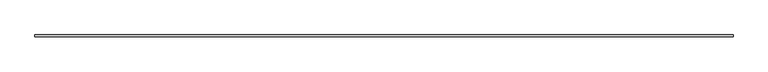
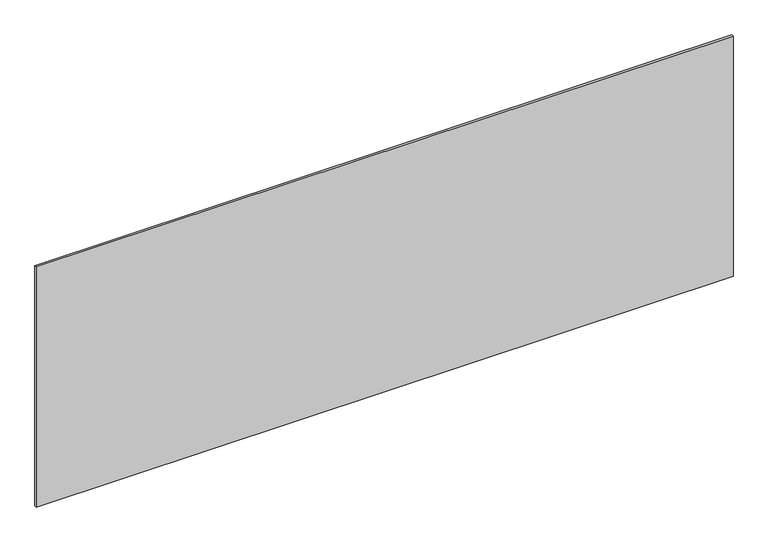
"""IFC4 building model written with IfcOpenShell, lengths in millimetres: plate geometry."""

import ifcopenshell
import ifcopenshell.guid

model = None  # the IFC model being written
_history = None  # IfcOwnerHistory: only IFC2X3 demands one
_inside = {}  # id of a spatial element -> (the spatial element, [elements in it])
_under = {}  # id of a project, library or spatial element -> (it, [spatial elements below it])
_declared = {}  # id of a project -> (the project, [libraries it declares])
_typed = {}  # id of a type object -> (the type object, [elements of that type])
_made_of = {}  # id of a material, layer set ... -> (it, [elements and type objects made of it])


def new_model(schema):
    """Start an empty IFC model of exactly this schema.

    Asked for "IFC4X3", IfcOpenShell would pick the latest addendum, in which some entities
    have other attributes; the version numbers below select the first issue.
    IFC2X3 requires an IfcOwnerHistory on every rooted entity: one is made here for all.
    """
    global model, _history
    if schema == "IFC4X3":
        model = ifcopenshell.file(schema_version=(4, 3, 0, 0))
    else:
        model = ifcopenshell.file(schema=schema)
    _inside.clear()
    _under.clear()
    _declared.clear()
    _typed.clear()
    _made_of.clear()
    _history = None
    if model.schema == "IFC2X3":
        org = make("IfcOrganization", Name="unknown")
        user = make(
            "IfcPersonAndOrganization",
            ThePerson=make("IfcPerson", FamilyName="unknown"),
            TheOrganization=org,
        )
        app = make(
            "IfcApplication",
            ApplicationDeveloper=org,
            Version="unknown",
            ApplicationFullName="unknown",
            ApplicationIdentifier="unknown",
        )
        _history = make(
            "IfcOwnerHistory",
            OwningUser=user,
            OwningApplication=app,
            ChangeAction="ADDED",
            CreationDate=0,
        )
    return model


def make(cls, **values):
    """One entity of the class cls with the attributes given. An attribute that is None is left unset."""
    return model.create_entity(
        cls, **{name: value for name, value in values.items() if value is not None}
    )


def rooted(cls, **values):
    """An entity with a GlobalId (a new one), such as an element, a storey or a relation."""
    return make(cls, GlobalId=ifcopenshell.guid.new(), OwnerHistory=_history, **values)


def si_unit(unit_type, name, prefix=None):
    """IfcSIUnit, for example si_unit("LENGTHUNIT", "METRE", prefix="MILLI")."""
    return make("IfcSIUnit", UnitType=unit_type, Prefix=prefix, Name=name)


def assignment(units):
    """IfcUnitAssignment: the units of a project."""
    return None if units is None else make("IfcUnitAssignment", Units=units)


def point(xyz):
    """IfcCartesianPoint."""
    return None if xyz is None else make("IfcCartesianPoint", Coordinates=xyz)


def direction(xyz):
    """IfcDirection."""
    return None if xyz is None else make("IfcDirection", DirectionRatios=xyz)


def frame(location, z_axis=None, x_axis=None):
    """IfcAxis2Placement3D, a coordinate frame: its origin and axes. An axis left out is left unset."""
    return make(
        "IfcAxis2Placement3D",
        Location=point(location),
        Axis=direction(z_axis),
        RefDirection=direction(x_axis),
    )


def origin():
    """The frame at (0, 0, 0) with its axes left unset."""
    return frame((0.0, 0.0, 0.0))


def origin_with_axes():
    """The frame at (0, 0, 0) with the z axis (0, 0, 1) and the x axis (1, 0, 0) written out."""
    return frame((0.0, 0.0, 0.0), z_axis=(0.0, 0.0, 1.0), x_axis=(1.0, 0.0, 0.0))


def place(relative_to, where):
    """IfcLocalPlacement: puts the frame where relative to a parent placement (None: the world)."""
    return make(
        "IfcLocalPlacement", PlacementRelTo=relative_to, RelativePlacement=where
    )


def context(
    kind, dimensions, precision=None, world=None, true_north=None, identifier=None
):
    """IfcGeometricRepresentationContext, for example the 3D "Model" context."""
    return make(
        "IfcGeometricRepresentationContext",
        ContextIdentifier=identifier,
        ContextType=kind,
        CoordinateSpaceDimension=dimensions,
        Precision=precision,
        WorldCoordinateSystem=world,
        TrueNorth=true_north,
    )


def project(units=None, contexts=None):
    """IfcProject with its units and contexts."""
    return rooted(
        "IfcProject",
        Name="project",
        RepresentationContexts=contexts,
        UnitsInContext=assignment(units),
    )


def spatial(cls, under=None, at=None, **own):
    """A site, building, storey or space (cls), placed at a placement, below another one or the project."""
    s = rooted(cls, ObjectPlacement=at, **own)
    if under is not None:
        _under.setdefault(under.id(), (under, []))[1].append(s)
    return s


def polyline(points):
    """IfcPolyline through the points."""
    return make("IfcPolyline", Points=[point(p) for p in points])


def outline(outer, holes=None, kind="AREA"):
    """IfcArbitraryClosedProfileDef: a profile drawn as a closed curve; with holes, ...WithVoids."""
    if holes is None:
        return make("IfcArbitraryClosedProfileDef", ProfileType=kind, OuterCurve=outer)
    return make(
        "IfcArbitraryProfileDefWithVoids",
        ProfileType=kind,
        OuterCurve=outer,
        InnerCurves=holes,
    )


def extrude(swept, where, along, depth):
    """IfcExtrudedAreaSolid: the profile swept, set in the frame where, extruded along a direction by depth."""
    return make(
        "IfcExtrudedAreaSolid",
        SweptArea=swept,
        Position=where,
        ExtrudedDirection=direction(along),
        Depth=depth,
    )


def shape(context_of_items, identifier, shape_type, items):
    """IfcShapeRepresentation: the items that make up one representation, for example the "Body"."""
    return make(
        "IfcShapeRepresentation",
        ContextOfItems=context_of_items,
        RepresentationIdentifier=identifier,
        RepresentationType=shape_type,
        Items=items,
    )


def source(mapping_origin, context_of_items, identifier, shape_type, items):
    """IfcRepresentationMap: a shape defined once, which mapped items show again and again."""
    return make(
        "IfcRepresentationMap",
        MappingOrigin=mapping_origin,
        MappedRepresentation=shape(context_of_items, identifier, shape_type, items),
    )


def transform(
    local_origin,
    x_axis=None,
    y_axis=None,
    z_axis=None,
    scale=None,
    scale2=None,
    scale3=None,
    uniform=True,
):
    """IfcCartesianTransformationOperator3D, or its non-uniform kind. x_axis, y_axis, z_axis: its Axis1, 2, 3."""
    if uniform:
        return make(
            "IfcCartesianTransformationOperator3D",
            Axis1=direction(x_axis),
            Axis2=direction(y_axis),
            LocalOrigin=point(local_origin),
            Scale=scale,
            Axis3=direction(z_axis),
        )
    return make(
        "IfcCartesianTransformationOperator3DnonUniform",
        Axis1=direction(x_axis),
        Axis2=direction(y_axis),
        LocalOrigin=point(local_origin),
        Scale=scale,
        Axis3=direction(z_axis),
        Scale2=scale2,
        Scale3=scale3,
    )


def mapped(mapping_source, mapping_target):
    """IfcMappedItem: shows the shape of a source again, moved by a transform."""
    return make(
        "IfcMappedItem", MappingSource=mapping_source, MappingTarget=mapping_target
    )


def made_of(thing, what):
    """Note that an element or type object is made of a material, layer set ...; save() writes the relation."""
    if what is not None:
        _made_of.setdefault(what.id(), (what, []))[1].append(thing)
    return thing


def element(
    cls,
    number,
    at=None,
    inside=None,
    cuts=None,
    type_object=None,
    material=None,
    context=None,
    identifier="Body",
    shape_type=None,
    held_by="IfcProductDefinitionShape",
    body=None,
    shapes=None,
    **own,
):
    """One element of the class cls, such as IfcWall. Its Tag is "e" and its number.

    at: its placement. inside: the storey or other place that contains it. cuts: it is an
    opening in that element (IfcRelVoidsElement). A single representation is given by context,
    identifier, shape_type and body (its items); several are given by shapes. held_by: the class
    of the entity that holds the representations. save() writes the other relations.
    """
    e = rooted(cls, Tag="e%d" % number, ObjectPlacement=at, **own)
    if body is not None:
        shapes = [shape(context, identifier, shape_type, body)]
    if shapes is not None:
        e.Representation = make(held_by, Representations=shapes)
    if inside is not None:
        _inside.setdefault(inside.id(), (inside, []))[1].append(e)
    if cuts is not None:
        rooted(
            "IfcRelVoidsElement", RelatingBuildingElement=cuts, RelatedOpeningElement=e
        )
    if type_object is not None:
        _typed.setdefault(type_object.id(), (type_object, []))[1].append(e)
    return made_of(e, material)


def aggregate(whole, parts):
    """IfcRelAggregates: a whole, such as a stair, and the parts it consists of."""
    return rooted("IfcRelAggregates", RelatingObject=whole, RelatedObjects=parts)


def save(model, path):
    """Write the relations noted so far, then the file.

    IfcRelAggregates (storeys below a building ...), IfcRelContainedInSpatialStructure (elements
    in a storey), IfcRelDefinesByType, IfcRelAssociatesMaterial and IfcRelDeclares: one each for
    every whole, place, type object, material and project.
    """
    for whole, parts in _under.values():
        aggregate(whole, parts)
    for where, things in _inside.values():
        rooted(
            "IfcRelContainedInSpatialStructure",
            RelatedElements=things,
            RelatingStructure=where,
        )
    for kind, things in _typed.values():
        rooted("IfcRelDefinesByType", RelatedObjects=things, RelatingType=kind)
    for what, things in _made_of.values():
        rooted("IfcRelAssociatesMaterial", RelatedObjects=things, RelatingMaterial=what)
    for by, libraries in _declared.values():
        rooted("IfcRelDeclares", RelatingContext=by, RelatedDefinitions=libraries)
    model.write(path)


def plate_442a9317(model_context):
    return source(origin(), model_context, "Body", "SweptSolid", [
        extrude(outline(polyline([(1715.0, -5.0), (-1715.0, -5.0), (-1715.0, 5.0), (1715.0, 5.0), (1715.0, -5.0)])), origin_with_axes(), (0.0, 0.0, 1.0), 1249.3695227),
    ])


if __name__ == "__main__":
    model = new_model("IFC4")
    model_context = context("Model", 3, world=origin())
    ifc_project = project(units=[si_unit("LENGTHUNIT", "METRE", prefix="MILLI")], contexts=[model_context])
    site = spatial("IfcSite", under=ifc_project)
    building = spatial("IfcBuilding", under=site)
    placement = place(None, origin())
    plate_shape = plate_442a9317(model_context)
    element("IfcPlate", 1, at=placement, inside=building, context=model_context, shape_type="MappedRepresentation", body=[
        mapped(plate_shape, transform((0.0, 0.0, 0.0), x_axis=(1.0, 0.0, 0.0), y_axis=(0.0, 1.0, 0.0), z_axis=(0.0, 0.0, 1.0))),
    ])
    save(model, "model.ifc")
